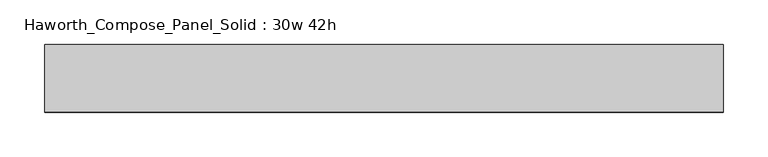
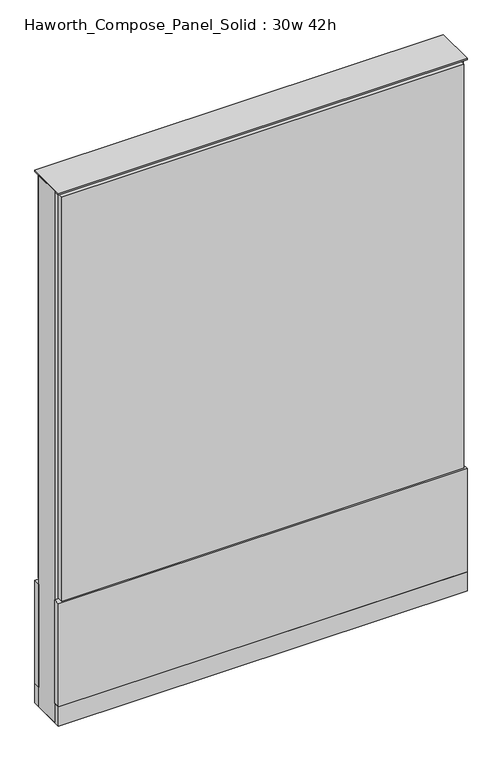
"""IFC4 building model written with IfcOpenShell, lengths in millimetres: furniture geometry, Haworth_Compose_Panel_Solid : 30w 42h."""

from ifc_helpers import new_model, si_unit, point, frame, frame_2d, origin, origin_with_axes, place, context, project, spatial, polyline, circle_curve, trimmed, segment, composite_curve, outline, extrude, source, transform, mapped, element, save


def haworth_compose_panel_solid_30w_42h_312a24d4(model_context):
    return source(origin(), model_context, "Body", "SweptSolid", [
        extrude(outline(composite_curve([segment(trimmed(circle_curve(frame_2d((-302.3597098, 0.0)), 12.7), [point((-315.0597098, 0.0))], [point((-289.6597098, 0.0))], False, "CARTESIAN"), True, "CONTINUOUS"), segment(trimmed(circle_curve(frame_2d((-302.3597098, 0.0)), 12.7), [point((-289.6597098, 0.0))], [point((-315.0597098, 0.0))], False, "CARTESIAN"), True, "CONTINUOUS")], self_intersect=False)), origin_with_axes(), (0.0, 0.0, 1.0), 12.7),
        extrude(outline(composite_curve([segment(trimmed(circle_curve(frame_2d((307.2402902, 0.0)), 12.7), [point((294.5402902, 0.0))], [point((319.9402902, 0.0))], False, "CARTESIAN"), True, "CONTINUOUS"), segment(trimmed(circle_curve(frame_2d((307.2402902, 0.0)), 12.7), [point((319.9402902, 0.0))], [point((294.5402902, 0.0))], False, "CARTESIAN"), True, "CONTINUOUS")], self_intersect=False)), origin_with_axes(), (0.0, 0.0, 1.0), 12.7),
        extrude(outline(polyline([(377.0902902, 38.1), (377.0902902, 25.4), (-372.2097098, 25.4), (-372.2097098, 38.1), (377.0902902, 38.1)])), frame((0.0, 0.0, 257.175), z_axis=(0.0, 0.0, 1.0), x_axis=(1.0, 0.0, 0.0)), (0.0, 0.0, 1.0), 796.925),
        extrude(outline(polyline([(383.4402902, 38.1), (383.4402902, 25.4), (-378.5597098, 25.4), (-378.5597098, 38.1), (383.4402902, 38.1)])), frame((0.0, 0.0, 50.8), z_axis=(0.0, 0.0, 1.0), x_axis=(1.0, 0.0, 0.0)), (0.0, 0.0, 1.0), 203.2),
        extrude(outline(polyline([(383.4402902, -38.1), (-378.5597098, -38.1), (-378.5597098, -25.4), (383.4402902, -25.4), (383.4402902, -38.1)])), frame((0.0, 0.0, 50.8), z_axis=(0.0, 0.0, 1.0), x_axis=(1.0, 0.0, 0.0)), (0.0, 0.0, 1.0), 203.2),
        extrude(outline(polyline([(377.0902902, -38.1), (-372.2097098, -38.1), (-372.2097098, -25.4), (377.0902902, -25.4), (377.0902902, -38.1)])), frame((0.0, 0.0, 257.175), z_axis=(0.0, 0.0, 1.0), x_axis=(1.0, 0.0, 0.0)), (0.0, 0.0, 1.0), 796.925),
        extrude(outline(polyline([(383.4402902, 25.4), (383.4402902, -25.4), (-378.5597098, -25.4), (-378.5597098, 25.4), (383.4402902, 25.4)])), frame((0.0, 0.0, 12.7), z_axis=(0.0, 0.0, 1.0), x_axis=(1.0, 0.0, 0.0)), (0.0, 0.0, 1.0), 1047.75),
        extrude(outline(polyline([(-378.5597098, -38.1), (-378.5597098, 38.1), (383.4402902, 38.1), (383.4402902, -38.1), (-378.5597098, -38.1)])), frame((0.0, 0.0, 12.7), z_axis=(0.0, 0.0, 1.0), x_axis=(1.0, 0.0, 0.0)), (0.0, 0.0, 1.0), 38.1),
        extrude(outline(polyline([(-378.5597098, -38.1), (-378.5597098, 38.1), (383.4402902, 38.1), (383.4402902, -38.1), (-378.5597098, -38.1)])), frame((0.0, 0.0, 1060.45), z_axis=(0.0, 0.0, 1.0), x_axis=(1.0, 0.0, 0.0)), (0.0, 0.0, 1.0), 3.175),
    ])


if __name__ == "__main__":
    model = new_model("IFC4")
    model_context = context("Model", 3, world=origin())
    ifc_project = project(units=[si_unit("LENGTHUNIT", "METRE", prefix="MILLI")], contexts=[model_context])
    site = spatial("IfcSite", under=ifc_project)
    building = spatial("IfcBuilding", under=site)
    placement = place(None, origin())
    haworth_compose_panel_solid_30w_42h_shape = haworth_compose_panel_solid_30w_42h_312a24d4(model_context)
    element("IfcFurniture", 1, ObjectType="Haworth_Compose_Panel_Solid : 30w 42h", at=placement, inside=building, context=model_context, shape_type="MappedRepresentation", body=[
        mapped(haworth_compose_panel_solid_30w_42h_shape, transform((0.0, 0.0, 0.0), x_axis=(1.0, 0.0, 0.0), y_axis=(0.0, 1.0, 0.0), z_axis=(0.0, 0.0, 1.0))),
    ])
    save(model, "model.ifc")
